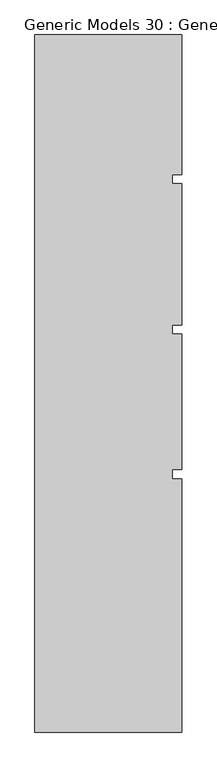
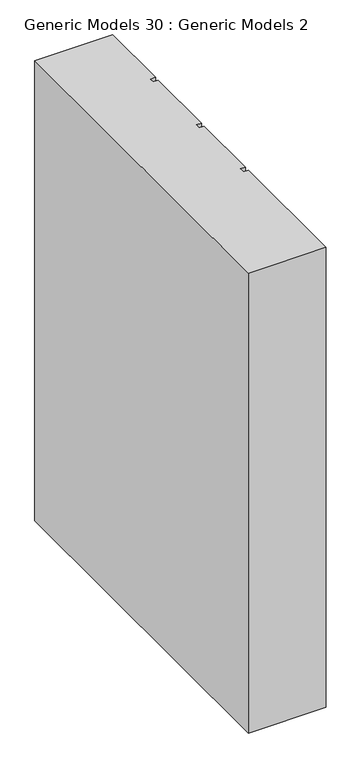
"""IFC4 building model written with IfcOpenShell, lengths in millimetres: proxy geometry, Generic Models 30 : Generic Models 2."""

from ifc_helpers import new_model, si_unit, frame, origin, place, context, project, spatial, polyline, outline, extrude, source, transform, mapped, element, save


def generic_models_30_generic_models_2_a0910d16(model_context):
    return source(origin(), model_context, "Body", "SweptSolid", [
        extrude(outline(polyline([(6158.9891931, -239.4418036), (6646.0314083, -239.4418036), (6646.0314083, -703.851216), (6614.3889077, -703.851216), (6614.3889077, -733.8846489), (6646.0314083, -733.8846489), (6646.0314083, -1203.851216), (6614.3889077, -1203.851216), (6614.3889077, -1233.8846489), (6646.0314083, -1233.8846489), (6646.0314083, -1683.851216), (6614.3889077, -1683.851216), (6614.3889077, -1713.8846489), (6646.0314083, -1713.8846489), (6646.0314083, -2556.8137679), (6158.9891931, -2556.8137679), (6158.9891931, -239.4418036)])), frame((0.0, 0.0, 12000.0), z_axis=(0.0, 0.0, 1.0), x_axis=(1.0, 0.0, 0.0)), (0.0, 0.0, 1.0), 3044.7067261),
    ])


if __name__ == "__main__":
    model = new_model("IFC4")
    model_context = context("Model", 3, world=origin())
    ifc_project = project(units=[si_unit("LENGTHUNIT", "METRE", prefix="MILLI")], contexts=[model_context])
    site = spatial("IfcSite", under=ifc_project)
    building = spatial("IfcBuilding", under=site)
    placement = place(None, origin())
    generic_models_30_generic_models_2_shape = generic_models_30_generic_models_2_a0910d16(model_context)
    element("IfcBuildingElementProxy", 1, Name="Generic Models 30 : Generic Models 2", ObjectType="Generic Models 30 : Generic Models 2", at=placement, inside=building, context=model_context, shape_type="MappedRepresentation", body=[
        mapped(generic_models_30_generic_models_2_shape, transform((0.0, 0.0, 0.0), x_axis=(1.0, 0.0, 0.0), y_axis=(0.0, 1.0, 0.0), z_axis=(0.0, 0.0, 1.0))),
    ])
    save(model, "model.ifc")
